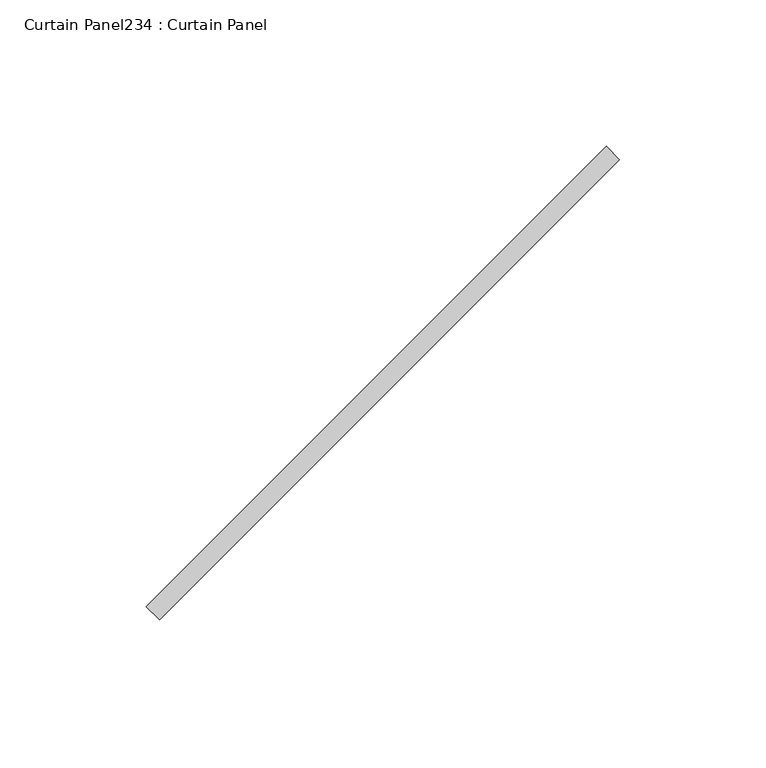
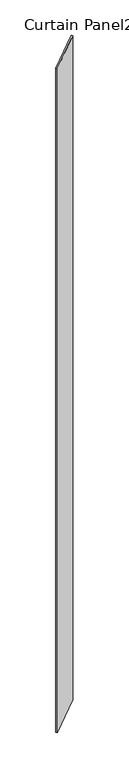
"""IFC4 building model written with IfcOpenShell, lengths in millimetres: plate geometry, Curtain Panel234 : Curtain Panel."""

from ifc_helpers import new_model, si_unit, frame, origin, place, context, project, spatial, polyline, outline, extrude, source, transform, mapped, element, save


def curtain_panel234_curtain_panel_0cc2762d(model_context):
    return source(origin(), model_context, "Body", "SweptSolid", [
        extrude(outline(polyline([(658703.9036745, 2037.6041466), (658546.7491924, 1880.4496645), (658542.2590643, 1884.9397926), (658699.4135464, 2042.0942747), (658703.9036745, 2037.6041466)])), frame((0.0, 0.0, 4959.7989371), z_axis=(0.0, 0.0, 1.0), x_axis=(1.0, 0.0, 0.0)), (0.0, 0.0, 1.0), 3048.0),
    ])


if __name__ == "__main__":
    model = new_model("IFC4")
    model_context = context("Model", 3, world=origin())
    ifc_project = project(units=[si_unit("LENGTHUNIT", "METRE", prefix="MILLI")], contexts=[model_context])
    site = spatial("IfcSite", under=ifc_project)
    building = spatial("IfcBuilding", under=site)
    placement = place(None, origin())
    curtain_panel234_curtain_panel_shape = curtain_panel234_curtain_panel_0cc2762d(model_context)
    element("IfcPlate", 1, ObjectType="Curtain Panel234 : Curtain Panel", at=placement, inside=building, context=model_context, shape_type="MappedRepresentation", body=[
        mapped(curtain_panel234_curtain_panel_shape, transform((0.0, 0.0, 0.0), x_axis=(1.0, 0.0, 0.0), y_axis=(0.0, 1.0, 0.0), z_axis=(0.0, 0.0, 1.0))),
    ])
    save(model, "model.ifc")
